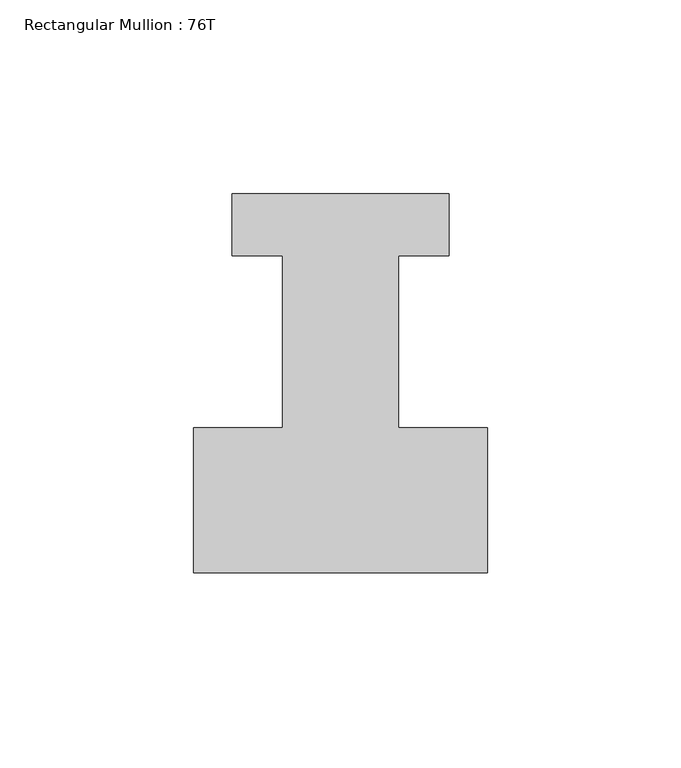
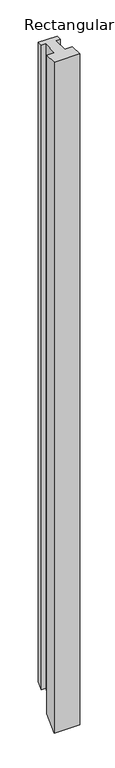
"""IFC4 building model written with IfcOpenShell, lengths in millimetres: member geometry, Rectangular Mullion : 76T."""

from ifc_helpers import new_model, si_unit, origin, place, context, project, spatial, faceted_brep, source, transform, mapped, element, save


def rectangular_mullion_76t_35ce7d3c(model_context):
    return source(origin(), model_context, "Body", "Brep", [
        faceted_brep([(0.0, -38.0, 0.0), (0.0, -0.5, 0.0), (-23.0, -0.5, 0.0), (-23.0, 44.0, 0.0), (-10.0, 44.0, 0.0), (-10.0, 60.0, 0.0), (-66.0, 60.0, 0.0), (-66.0, 44.0, 0.0), (-53.0, 44.0, 0.0), (-53.0, -0.5, 0.0), (-76.0, -0.5, 0.0), (-76.0, -38.0, 0.0), (0.0, -38.0, -2100.0), (0.0, -0.5, -2062.5), (-23.0, -0.5, -2062.5), (-23.0, 44.0, -2018.0), (-10.0, 44.0, -2018.0), (-10.0, 60.0, -2002.0), (-66.0, 60.0, -2002.0), (-66.0, 44.0, -2018.0), (-53.0, 44.0, -2018.0), (-53.0, -0.5, -2062.5), (-76.0, -0.5, -2062.5), (-76.0, -38.0, -2100.0)], [[[0, 1, 2, 3, 4, 5, 6, 7, 8, 9, 10, 11]], [[1, 0, 12, 13]], [[2, 1, 13, 14]], [[3, 2, 14, 15]], [[4, 3, 15, 16]], [[5, 4, 16, 17]], [[6, 5, 17, 18]], [[7, 6, 18, 19]], [[8, 7, 19, 20]], [[9, 8, 20, 21]], [[10, 9, 21, 22]], [[11, 10, 22, 23]], [[0, 11, 23, 12]], [[12, 23, 22, 21, 20, 19, 18, 17, 16, 15, 14, 13]]]),
    ])


if __name__ == "__main__":
    model = new_model("IFC4")
    model_context = context("Model", 3, world=origin())
    ifc_project = project(units=[si_unit("LENGTHUNIT", "METRE", prefix="MILLI")], contexts=[model_context])
    site = spatial("IfcSite", under=ifc_project)
    building = spatial("IfcBuilding", under=site)
    placement = place(None, origin())
    rectangular_mullion_76t_shape = rectangular_mullion_76t_35ce7d3c(model_context)
    element("IfcMember", 1, ObjectType="Rectangular Mullion : 76T", at=placement, inside=building, context=model_context, shape_type="MappedRepresentation", body=[
        mapped(rectangular_mullion_76t_shape, transform((0.0, 0.0, 0.0), x_axis=(1.0, 0.0, 0.0), y_axis=(0.0, 1.0, 0.0), z_axis=(0.0, 0.0, 1.0))),
    ])
    save(model, "model.ifc")
